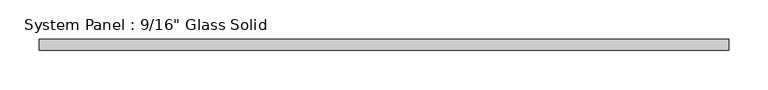
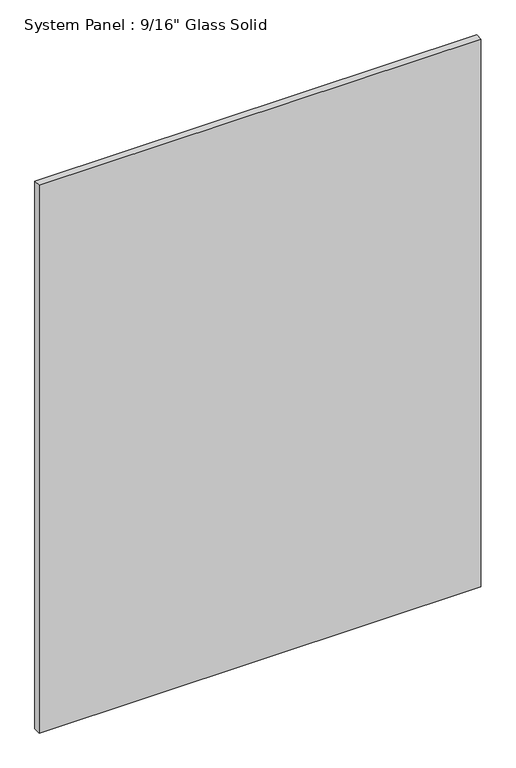
"""IFC4 building model written with IfcOpenShell, lengths in millimetres: plate geometry."""

from ifc_helpers import new_model, si_unit, origin, origin_with_axes, place, context, project, spatial, polyline, outline, extrude, source, transform, mapped, element, save


def plate_4e8ebbe7(model_context):
    return source(origin(), model_context, "Body", "SweptSolid", [
        extrude(outline(polyline([(440.3180865, -7.14375), (-440.3180865, -7.14375), (-440.3180865, 7.14375), (440.3180865, 7.14375), (440.3180865, -7.14375)])), origin_with_axes(), (0.0, 0.0, 1.0), 1154.5441382),
    ])


if __name__ == "__main__":
    model = new_model("IFC4")
    model_context = context("Model", 3, world=origin())
    ifc_project = project(units=[si_unit("LENGTHUNIT", "METRE", prefix="MILLI")], contexts=[model_context])
    site = spatial("IfcSite", under=ifc_project)
    building = spatial("IfcBuilding", under=site)
    placement = place(None, origin())
    plate_shape = plate_4e8ebbe7(model_context)
    element("IfcPlate", 1, ObjectType="System Panel : 9/16\" Glass Solid", at=placement, inside=building, context=model_context, shape_type="MappedRepresentation", body=[
        mapped(plate_shape, transform((0.0, 0.0, 0.0), x_axis=(1.0, 0.0, 0.0), y_axis=(0.0, 1.0, 0.0), z_axis=(0.0, 0.0, 1.0))),
    ])
    save(model, "model.ifc")
